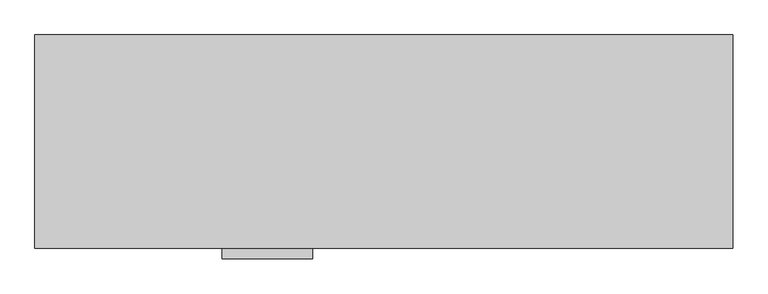
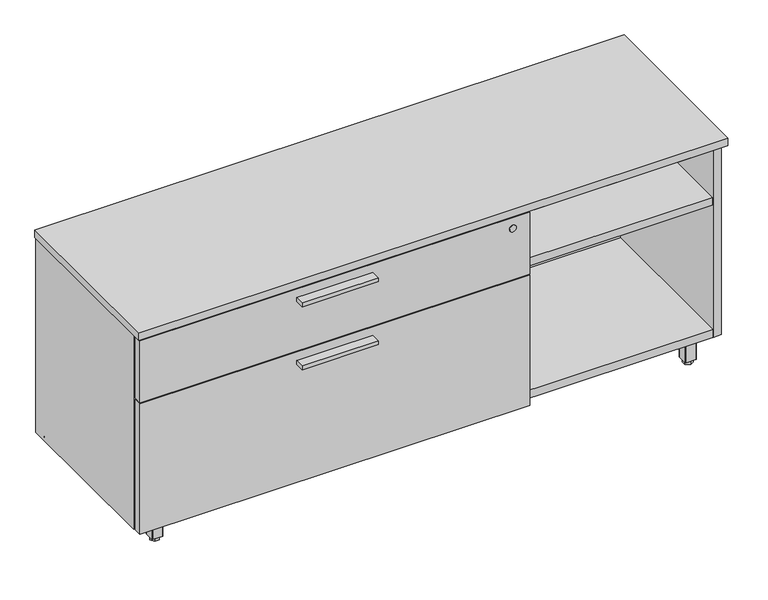
"""IFC4 building model written with IfcOpenShell, lengths in millimetres: furniture geometry."""

from ifc_helpers import new_model, si_unit, point, frame, frame_2d, origin, origin_with_axes, place, context, project, spatial, polyline, circle_curve, trimmed, segment, composite_curve, outline, extrude, source, transform, mapped, element, save


def furniture_007b26ed(model_context):
    return source(origin(), model_context, "Body", "SweptSolid", [
        extrude(outline(polyline([(546.0365, -447.8158592), (368.2365, -447.8158592), (368.2365, -425.5908592), (546.0365, -425.5908592), (546.0365, -447.8158592)])), frame((0.0, 0.0, 351.0330729), z_axis=(0.0, 0.0, 1.0), x_axis=(1.0, 0.0, 0.0)), (0.0, 0.0, 1.0), 9.525),
        extrude(outline(polyline([(546.0365, -447.8158592), (368.2365, -447.8158592), (368.2365, -425.5908592), (546.0365, -425.5908592), (546.0365, -447.8158592)])), frame((0.0, 0.0, 506.1508939), z_axis=(0.0, 0.0, 1.0), x_axis=(1.0, 0.0, 0.0)), (0.0, 0.0, 1.0), 9.525),
        extrude(outline(polyline([(70.8025, -367.813183), (76.5175, -377.7118534), (70.8025, -387.6105237), (59.3725, -387.6105237), (53.6575, -377.7118534), (59.3725, -367.813183), (70.8025, -367.813183)])), origin_with_axes(), (0.0, 0.0, 1.0), 9.144),
        extrude(outline(composite_curve([segment(trimmed(circle_curve(frame_2d((65.0875, -377.7118534)), 4.445), [point((69.5325, -377.7118534))], [point((60.6425, -377.7118534))], False, "CARTESIAN"), True, "CONTINUOUS"), segment(trimmed(circle_curve(frame_2d((65.0875, -377.7118534)), 4.445), [point((60.6425, -377.7118534))], [point((69.5325, -377.7118534))], False, "CARTESIAN"), True, "CONTINUOUS")], self_intersect=False)), frame((0.0, 0.0, 7.112), z_axis=(0.0, 0.0, 1.0), x_axis=(1.0, 0.0, 0.0)), (0.0, 0.0, 1.0), 2.032),
        extrude(outline(composite_curve([segment(trimmed(circle_curve(frame_2d((11.1125, -393.5868534)), 3.175), [point((11.1125, -396.7618534))], [point((7.9375, -393.5868534))], False, "CARTESIAN"), True, "CONTINUOUS"), segment(polyline([(7.9375, -393.5868534), (7.9375, -323.7368534)]), True, "CONTINUOUS"), segment(trimmed(circle_curve(frame_2d((11.1125, -323.7368534)), 3.175), [point((7.9375, -323.7368534))], [point((11.1125, -320.5618534))], False, "CARTESIAN"), True, "CONTINUOUS"), segment(polyline([(11.1125, -320.5618534), (80.9625, -320.5618534)]), True, "CONTINUOUS"), segment(trimmed(circle_curve(frame_2d((80.9625, -323.7368534)), 3.175), [point((80.9625, -320.5618534))], [point((84.1375, -323.7368534))], False, "CARTESIAN"), True, "CONTINUOUS"), segment(polyline([(84.1375, -323.7368534), (84.1375, -393.5868534)]), True, "CONTINUOUS"), segment(trimmed(circle_curve(frame_2d((80.9625, -393.5868534)), 3.175), [point((84.1375, -393.5868534))], [point((80.9625, -396.7618534))], False, "CARTESIAN"), True, "CONTINUOUS"), segment(polyline([(80.9625, -396.7618534), (11.1125, -396.7618534)]), True, "CONTINUOUS")], self_intersect=False)), frame((0.0, 0.0, 58.3692), z_axis=(0.0, 0.0, 1.0), x_axis=(1.0, 0.0, 0.0)), (0.0, 0.0, 1.0), 1.89738),
        extrude(outline(composite_curve([segment(polyline([(76.5175, -390.4118534), (53.6575, -390.4118534)]), True, "CONTINUOUS"), segment(trimmed(circle_curve(frame_2d((53.6575, -389.1418534)), 1.27), [point((53.6575, -390.4118534))], [point((52.3875, -389.1418534))], False, "CARTESIAN"), True, "CONTINUOUS"), segment(polyline([(52.3875, -389.1418534), (52.3875, -366.2818534)]), True, "CONTINUOUS"), segment(trimmed(circle_curve(frame_2d((53.6575, -366.2818534)), 1.27), [point((52.3875, -366.2818534))], [point((53.6575, -365.0118534))], False, "CARTESIAN"), True, "CONTINUOUS"), segment(polyline([(53.6575, -365.0118534), (76.5175, -365.0118534)]), True, "CONTINUOUS"), segment(trimmed(circle_curve(frame_2d((76.5175, -366.2818534)), 1.27), [point((76.5175, -365.0118534))], [point((77.7875, -366.2818534))], False, "CARTESIAN"), True, "CONTINUOUS"), segment(polyline([(77.7875, -366.2818534), (77.7875, -389.1418534)]), True, "CONTINUOUS"), segment(trimmed(circle_curve(frame_2d((76.5175, -389.1418534)), 1.27), [point((77.7875, -389.1418534))], [point((76.5175, -390.4118534))], False, "CARTESIAN"), True, "CONTINUOUS")], self_intersect=False)), frame((0.0, 0.0, 9.144), z_axis=(0.0, 0.0, 1.0), x_axis=(1.0, 0.0, 0.0)), (0.0, 0.0, 1.0), 49.2252),
        extrude(outline(polyline([(55.1888296, -42.0508713), (65.0875, -36.3358713), (74.9861704, -42.0508713), (74.9861704, -53.4808713), (65.0875, -59.1958713), (55.1888296, -53.4808713), (55.1888296, -42.0508713)])), origin_with_axes(), (0.0, 0.0, 1.0), 9.144),
        extrude(outline(composite_curve([segment(trimmed(circle_curve(frame_2d((65.0875, -47.7658713)), 4.445), [point((65.0875, -43.3208713))], [point((65.0875, -52.2108713))], False, "CARTESIAN"), True, "CONTINUOUS"), segment(trimmed(circle_curve(frame_2d((65.0875, -47.7658713)), 4.445), [point((65.0875, -52.2108713))], [point((65.0875, -43.3208713))], False, "CARTESIAN"), True, "CONTINUOUS")], self_intersect=False)), frame((0.0, 0.0, 7.112), z_axis=(0.0, 0.0, 1.0), x_axis=(1.0, 0.0, 0.0)), (0.0, 0.0, 1.0), 2.032),
        extrude(outline(composite_curve([segment(trimmed(circle_curve(frame_2d((80.9625, -101.7408713)), 3.175), [point((84.1375, -101.7408713))], [point((80.9625, -104.9158713))], False, "CARTESIAN"), True, "CONTINUOUS"), segment(polyline([(80.9625, -104.9158713), (11.1125, -104.9158713)]), True, "CONTINUOUS"), segment(trimmed(circle_curve(frame_2d((11.1125, -101.7408713)), 3.175), [point((11.1125, -104.9158713))], [point((7.9375, -101.7408713))], False, "CARTESIAN"), True, "CONTINUOUS"), segment(polyline([(7.9375, -101.7408713), (7.9375, -31.8908713)]), True, "CONTINUOUS"), segment(trimmed(circle_curve(frame_2d((11.1125, -31.8908713)), 3.175), [point((7.9375, -31.8908713))], [point((11.1125, -28.7158713))], False, "CARTESIAN"), True, "CONTINUOUS"), segment(polyline([(11.1125, -28.7158713), (80.9625, -28.7158713)]), True, "CONTINUOUS"), segment(trimmed(circle_curve(frame_2d((80.9625, -31.8908713)), 3.175), [point((80.9625, -28.7158713))], [point((84.1375, -31.8908713))], False, "CARTESIAN"), True, "CONTINUOUS"), segment(polyline([(84.1375, -31.8908713), (84.1375, -101.7408713)]), True, "CONTINUOUS")], self_intersect=False)), frame((0.0, 0.0, 58.3692), z_axis=(0.0, 0.0, 1.0), x_axis=(1.0, 0.0, 0.0)), (0.0, 0.0, 1.0), 1.89738),
        extrude(outline(composite_curve([segment(polyline([(77.7875, -36.3358713), (77.7875, -59.1958713)]), True, "CONTINUOUS"), segment(trimmed(circle_curve(frame_2d((76.5175, -59.1958713)), 1.27), [point((77.7875, -59.1958713))], [point((76.5175, -60.4658713))], False, "CARTESIAN"), True, "CONTINUOUS"), segment(polyline([(76.5175, -60.4658713), (53.6575, -60.4658713)]), True, "CONTINUOUS"), segment(trimmed(circle_curve(frame_2d((53.6575, -59.1958713)), 1.27), [point((53.6575, -60.4658713))], [point((52.3875, -59.1958713))], False, "CARTESIAN"), True, "CONTINUOUS"), segment(polyline([(52.3875, -59.1958713), (52.3875, -36.3358713)]), True, "CONTINUOUS"), segment(trimmed(circle_curve(frame_2d((53.6575, -36.3358713)), 1.27), [point((52.3875, -36.3358713))], [point((53.6575, -35.0658713))], False, "CARTESIAN"), True, "CONTINUOUS"), segment(polyline([(53.6575, -35.0658713), (76.5175, -35.0658713)]), True, "CONTINUOUS"), segment(trimmed(circle_curve(frame_2d((76.5175, -36.3358713)), 1.27), [point((76.5175, -35.0658713))], [point((77.7875, -36.3358713))], False, "CARTESIAN"), True, "CONTINUOUS")], self_intersect=False)), frame((0.0, 0.0, 9.144), z_axis=(0.0, 0.0, 1.0), x_axis=(1.0, 0.0, 0.0)), (0.0, 0.0, 1.0), 49.2252),
        extrude(outline(polyline([(1300.7975, -57.6645417), (1295.0825, -47.7658713), (1300.7975, -37.8672009), (1312.2275, -37.8672009), (1317.9425, -47.7658713), (1312.2275, -57.6645417), (1300.7975, -57.6645417)])), origin_with_axes(), (0.0, 0.0, 1.0), 9.144),
        extrude(outline(composite_curve([segment(trimmed(circle_curve(frame_2d((1306.5125, -47.7658713)), 4.445), [point((1302.0675, -47.7658713))], [point((1310.9575, -47.7658713))], False, "CARTESIAN"), True, "CONTINUOUS"), segment(trimmed(circle_curve(frame_2d((1306.5125, -47.7658713)), 4.445), [point((1310.9575, -47.7658713))], [point((1302.0675, -47.7658713))], False, "CARTESIAN"), True, "CONTINUOUS")], self_intersect=False)), frame((0.0, 0.0, 7.112), z_axis=(0.0, 0.0, 1.0), x_axis=(1.0, 0.0, 0.0)), (0.0, 0.0, 1.0), 2.032),
        extrude(outline(composite_curve([segment(trimmed(circle_curve(frame_2d((1360.4875, -31.8908713)), 3.175), [point((1360.4875, -28.7158713))], [point((1363.6625, -31.8908713))], False, "CARTESIAN"), True, "CONTINUOUS"), segment(polyline([(1363.6625, -31.8908713), (1363.6625, -101.7408713)]), True, "CONTINUOUS"), segment(trimmed(circle_curve(frame_2d((1360.4875, -101.7408713)), 3.175), [point((1363.6625, -101.7408713))], [point((1360.4875, -104.9158713))], False, "CARTESIAN"), True, "CONTINUOUS"), segment(polyline([(1360.4875, -104.9158713), (1290.6375, -104.9158713)]), True, "CONTINUOUS"), segment(trimmed(circle_curve(frame_2d((1290.6375, -101.7408713)), 3.175), [point((1290.6375, -104.9158713))], [point((1287.4625, -101.7408713))], False, "CARTESIAN"), True, "CONTINUOUS"), segment(polyline([(1287.4625, -101.7408713), (1287.4625, -31.8908713)]), True, "CONTINUOUS"), segment(trimmed(circle_curve(frame_2d((1290.6375, -31.8908713)), 3.175), [point((1287.4625, -31.8908713))], [point((1290.6375, -28.7158713))], False, "CARTESIAN"), True, "CONTINUOUS"), segment(polyline([(1290.6375, -28.7158713), (1360.4875, -28.7158713)]), True, "CONTINUOUS")], self_intersect=False)), frame((0.0, 0.0, 58.3692), z_axis=(0.0, 0.0, 1.0), x_axis=(1.0, 0.0, 0.0)), (0.0, 0.0, 1.0), 1.89738),
        extrude(outline(composite_curve([segment(polyline([(1295.0825, -35.0658713), (1317.9425, -35.0658713)]), True, "CONTINUOUS"), segment(trimmed(circle_curve(frame_2d((1317.9425, -36.3358713)), 1.27), [point((1317.9425, -35.0658713))], [point((1319.2125, -36.3358713))], False, "CARTESIAN"), True, "CONTINUOUS"), segment(polyline([(1319.2125, -36.3358713), (1319.2125, -59.1958713)]), True, "CONTINUOUS"), segment(trimmed(circle_curve(frame_2d((1317.9425, -59.1958713)), 1.27), [point((1319.2125, -59.1958713))], [point((1317.9425, -60.4658713))], False, "CARTESIAN"), True, "CONTINUOUS"), segment(polyline([(1317.9425, -60.4658713), (1295.0825, -60.4658713)]), True, "CONTINUOUS"), segment(trimmed(circle_curve(frame_2d((1295.0825, -59.1958713)), 1.27), [point((1295.0825, -60.4658713))], [point((1293.8125, -59.1958713))], False, "CARTESIAN"), True, "CONTINUOUS"), segment(polyline([(1293.8125, -59.1958713), (1293.8125, -36.3358713)]), True, "CONTINUOUS"), segment(trimmed(circle_curve(frame_2d((1295.0825, -36.3358713)), 1.27), [point((1293.8125, -36.3358713))], [point((1295.0825, -35.0658713))], False, "CARTESIAN"), True, "CONTINUOUS")], self_intersect=False)), frame((0.0, 0.0, 9.144), z_axis=(0.0, 0.0, 1.0), x_axis=(1.0, 0.0, 0.0)), (0.0, 0.0, 1.0), 49.2252),
        extrude(outline(polyline([(1316.4111704, -383.4268534), (1306.5125, -389.1418534), (1296.6138296, -383.4268534), (1296.6138296, -371.9968534), (1306.5125, -366.2818534), (1316.4111704, -371.9968534), (1316.4111704, -383.4268534)])), origin_with_axes(), (0.0, 0.0, 1.0), 9.144),
        extrude(outline(composite_curve([segment(trimmed(circle_curve(frame_2d((1306.5125, -377.7118534)), 4.445), [point((1306.5125, -382.1568534))], [point((1306.5125, -373.2668534))], False, "CARTESIAN"), True, "CONTINUOUS"), segment(trimmed(circle_curve(frame_2d((1306.5125, -377.7118534)), 4.445), [point((1306.5125, -373.2668534))], [point((1306.5125, -382.1568534))], False, "CARTESIAN"), True, "CONTINUOUS")], self_intersect=False)), frame((0.0, 0.0, 7.112), z_axis=(0.0, 0.0, 1.0), x_axis=(1.0, 0.0, 0.0)), (0.0, 0.0, 1.0), 2.032),
        extrude(outline(composite_curve([segment(trimmed(circle_curve(frame_2d((1290.6375, -323.7368534)), 3.175), [point((1287.4625, -323.7368534))], [point((1290.6375, -320.5618534))], False, "CARTESIAN"), True, "CONTINUOUS"), segment(polyline([(1290.6375, -320.5618534), (1360.4875, -320.5618534)]), True, "CONTINUOUS"), segment(trimmed(circle_curve(frame_2d((1360.4875, -323.7368534)), 3.175), [point((1360.4875, -320.5618534))], [point((1363.6625, -323.7368534))], False, "CARTESIAN"), True, "CONTINUOUS"), segment(polyline([(1363.6625, -323.7368534), (1363.6625, -393.5868534)]), True, "CONTINUOUS"), segment(trimmed(circle_curve(frame_2d((1360.4875, -393.5868534)), 3.175), [point((1363.6625, -393.5868534))], [point((1360.4875, -396.7618534))], False, "CARTESIAN"), True, "CONTINUOUS"), segment(polyline([(1360.4875, -396.7618534), (1290.6375, -396.7618534)]), True, "CONTINUOUS"), segment(trimmed(circle_curve(frame_2d((1290.6375, -393.5868534)), 3.175), [point((1290.6375, -396.7618534))], [point((1287.4625, -393.5868534))], False, "CARTESIAN"), True, "CONTINUOUS"), segment(polyline([(1287.4625, -393.5868534), (1287.4625, -323.7368534)]), True, "CONTINUOUS")], self_intersect=False)), frame((0.0, 0.0, 58.3692), z_axis=(0.0, 0.0, 1.0), x_axis=(1.0, 0.0, 0.0)), (0.0, 0.0, 1.0), 1.89738),
        extrude(outline(composite_curve([segment(polyline([(1293.8125, -389.1418534), (1293.8125, -366.2818534)]), True, "CONTINUOUS"), segment(trimmed(circle_curve(frame_2d((1295.0825, -366.2818534)), 1.27), [point((1293.8125, -366.2818534))], [point((1295.0825, -365.0118534))], False, "CARTESIAN"), True, "CONTINUOUS"), segment(polyline([(1295.0825, -365.0118534), (1317.9425, -365.0118534)]), True, "CONTINUOUS"), segment(trimmed(circle_curve(frame_2d((1317.9425, -366.2818534)), 1.27), [point((1317.9425, -365.0118534))], [point((1319.2125, -366.2818534))], False, "CARTESIAN"), True, "CONTINUOUS"), segment(polyline([(1319.2125, -366.2818534), (1319.2125, -389.1418534)]), True, "CONTINUOUS"), segment(trimmed(circle_curve(frame_2d((1317.9425, -389.1418534)), 1.27), [point((1319.2125, -389.1418534))], [point((1317.9425, -390.4118534))], False, "CARTESIAN"), True, "CONTINUOUS"), segment(polyline([(1317.9425, -390.4118534), (1295.0825, -390.4118534)]), True, "CONTINUOUS"), segment(trimmed(circle_curve(frame_2d((1295.0825, -389.1418534)), 1.27), [point((1295.0825, -390.4118534))], [point((1293.8125, -389.1418534))], False, "CARTESIAN"), True, "CONTINUOUS")], self_intersect=False)), frame((0.0, 0.0, 9.144), z_axis=(0.0, 0.0, 1.0), x_axis=(1.0, 0.0, 0.0)), (0.0, 0.0, 1.0), 49.2252),
        extrude(outline(polyline([(1350.7085154, -30.4938704), (1350.7085154, -402.7308447), (20.8915005, -402.7308447), (20.8915005, -30.4938704), (1350.7085154, -30.4938704)])), frame((0.0, 0.0, 520.1843787), z_axis=(0.0, 0.0, 1.0), x_axis=(1.0, 0.0, 0.0)), (0.0, 0.0, 1.0), 19.304),
        extrude(outline(polyline([(912.6855, -30.4938704), (912.6855, -401.5878548), (893.3815, -401.5878548), (893.3815, -30.4938704), (912.6855, -30.4938704)])), frame((0.0, 0.0, 79.57058), z_axis=(0.0, 0.0, 1.0), x_axis=(1.0, 0.0, 0.0)), (0.0, 0.0, 1.0), 440.6137987),
        extrude(outline(polyline([(3.175, -406.2868776), (911.098, -406.2868776), (911.098, -425.5908592), (3.175, -425.5908592), (3.175, -406.2868776)])), frame((0.0, 0.0, 384.3705787), z_axis=(0.0, 0.0, 1.0), x_axis=(1.0, 0.0, 0.0)), (0.0, 0.0, 1.0), 151.9428152),
        extrude(outline(polyline([(3.175, -406.2868776), (911.098, -406.2868776), (911.098, -425.5908592), (3.175, -425.5908592), (3.175, -406.2868776)])), frame((0.0, 0.0, 60.26658), z_axis=(0.0, 0.0, 1.0), x_axis=(1.0, 0.0, 0.0)), (0.0, 0.0, 1.0), 320.9289929),
        extrude(outline(polyline([(1350.7085, -30.4938704), (1350.7085, -400.8258374), (912.6855, -400.8258374), (912.6855, -30.4938704), (1350.7085, -30.4938704)])), frame((0.0, 0.0, 384.3705787), z_axis=(0.0, 0.0, 1.0), x_axis=(1.0, 0.0, 0.0)), (0.0, 0.0, 1.0), 19.304),
        extrude(outline(polyline([(1371.6, -8.0783713), (1371.6, -427.1783713), (0.0, -427.1783713), (0.0, -8.0783713), (1371.6, -8.0783713)])), frame((0.0, 0.0, 539.4883818), z_axis=(0.0, 0.0, 1.0), x_axis=(1.0, 0.0, 0.0)), (0.0, 0.0, 1.0), 19.0499969),
        extrude(outline(polyline([(1350.7085154, -30.4938704), (1350.7085154, -402.7308447), (20.8915005, -402.7308447), (20.8915005, -30.4938704), (1350.7085154, -30.4938704)])), frame((0.0, 0.0, 60.26658), z_axis=(0.0, 0.0, 1.0), x_axis=(1.0, 0.0, 0.0)), (0.0, 0.0, 1.0), 19.304),
        extrude(outline(polyline([(1350.7085154, -11.1898712), (1350.7085154, -30.4938704), (20.8915005, -30.4938704), (20.8915005, -11.1898712), (1350.7085154, -11.1898712)])), frame((0.0, 0.0, 60.26658), z_axis=(0.0, 0.0, 1.0), x_axis=(1.0, 0.0, 0.0)), (0.0, 0.0, 1.0), 479.2217987),
        extrude(outline(polyline([(20.8915005, -9.6658713), (20.8915005, -403.1118534), (1.5875, -403.1118534), (1.5875, -9.6658713), (20.8915005, -9.6658713)])), frame((0.0, 0.0, 60.26658), z_axis=(0.0, 0.0, 1.0), x_axis=(1.0, 0.0, 0.0)), (0.0, 0.0, 1.0), 479.2217987),
        extrude(outline(polyline([(1350.7085154, -9.6658713), (1370.0125158, -9.6658713), (1370.0125158, -403.1118534), (1350.7085154, -403.1118534), (1350.7085154, -9.6658713)])), frame((0.0, 0.0, 60.26658), z_axis=(0.0, 0.0, 1.0), x_axis=(1.0, 0.0, 0.0)), (0.0, 0.0, 1.0), 479.2217987),
        extrude(outline(composite_curve([segment(trimmed(circle_curve(frame_2d((510.9133939, 871.093)), 8.001), [point((510.9133939, 879.094))], [point((510.9133939, 863.092))], False, "CARTESIAN"), True, "CONTINUOUS"), segment(trimmed(circle_curve(frame_2d((510.9133939, 871.093)), 8.001), [point((510.9133939, 863.092))], [point((510.9133939, 879.094))], False, "CARTESIAN"), True, "CONTINUOUS")], self_intersect=False)), frame((0.0, -427.1783713, 0.0), z_axis=(0.0, 1.0, 0.0), x_axis=(0.0, 0.0, 1.0)), (0.0, 0.0, 1.0), 1.5875121),
    ])


if __name__ == "__main__":
    model = new_model("IFC4")
    model_context = context("Model", 3, world=origin())
    ifc_project = project(units=[si_unit("LENGTHUNIT", "METRE", prefix="MILLI")], contexts=[model_context])
    site = spatial("IfcSite", under=ifc_project)
    building = spatial("IfcBuilding", under=site)
    placement = place(None, origin())
    furniture_shape = furniture_007b26ed(model_context)
    element("IfcFurniture", 1, at=placement, inside=building, context=model_context, shape_type="MappedRepresentation", body=[
        mapped(furniture_shape, transform((0.0, 0.0, 0.0), x_axis=(1.0, 0.0, 0.0), y_axis=(0.0, 1.0, 0.0), z_axis=(0.0, 0.0, 1.0))),
    ])
    save(model, "model.ifc")
